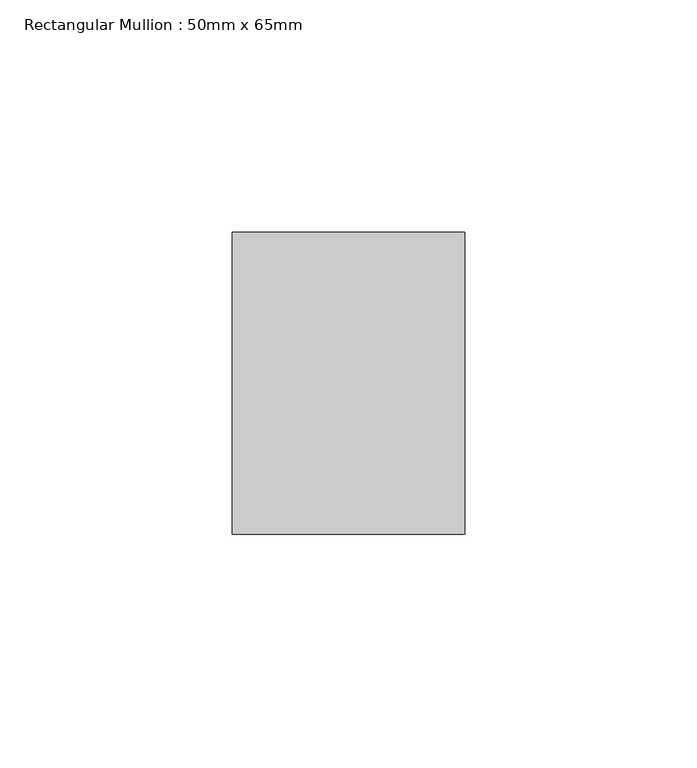
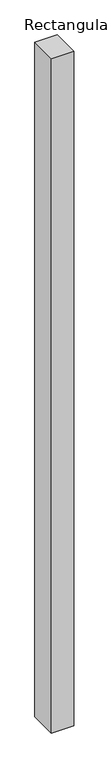
"""IFC4 building model written with IfcOpenShell, lengths in millimetres: member geometry, Rectangular Mullion : 50mm x 65mm."""

from ifc_helpers import new_model, si_unit, frame, origin, place, context, project, spatial, polyline, outline, extrude, source, transform, mapped, element, save


def rectangular_mullion_50mm_x_65mm_495ec09d(model_context):
    return source(origin(), model_context, "Body", "SweptSolid", [
        extrude(outline(polyline([(25.0, 32.5), (25.0, -32.5), (-25.0, -32.5), (-25.0, 32.5), (25.0, 32.5)])), frame((0.0, 0.0, -1612.9646947), z_axis=(0.0, 0.0, 1.0), x_axis=(1.0, 0.0, 0.0)), (0.0, 0.0, 1.0), 1612.9646947),
    ])


if __name__ == "__main__":
    model = new_model("IFC4")
    model_context = context("Model", 3, world=origin())
    ifc_project = project(units=[si_unit("LENGTHUNIT", "METRE", prefix="MILLI")], contexts=[model_context])
    site = spatial("IfcSite", under=ifc_project)
    building = spatial("IfcBuilding", under=site)
    placement = place(None, origin())
    rectangular_mullion_50mm_x_65mm_shape = rectangular_mullion_50mm_x_65mm_495ec09d(model_context)
    element("IfcMember", 1, ObjectType="Rectangular Mullion : 50mm x 65mm", at=placement, inside=building, context=model_context, shape_type="MappedRepresentation", body=[
        mapped(rectangular_mullion_50mm_x_65mm_shape, transform((0.0, 0.0, 0.0), x_axis=(1.0, 0.0, 0.0), y_axis=(0.0, 1.0, 0.0), z_axis=(0.0, 0.0, 1.0))),
    ])
    save(model, "model.ifc")
